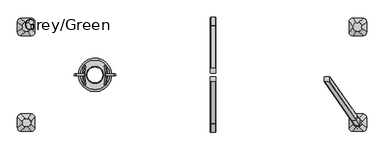
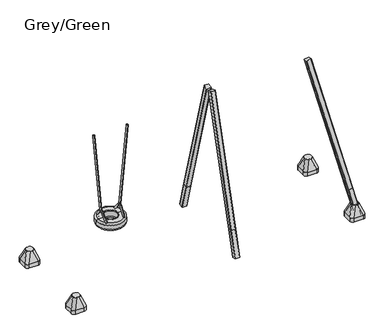
"""IFC4 building model written with IfcOpenShell, lengths in millimetres: furniture geometry, Grey/Green."""

from ifc_helpers import new_model, si_unit, point, frame, frame_2d, origin, place, context, project, spatial, polyline, circle_curve, ellipse_curve, trimmed, segment, composite_curve, outline, extrude, source, transform, mapped, element, save
from ifc_brep_helpers import plane_surface, cylinder_surface, revolved_surface, extruded_surface, advanced_brep


def grey_green_87171a20(model_context):
    return source(origin(), model_context, "Body", "SolidModel", [
        advanced_brep(
        [(3763.0, -672.5, -604.0), (3943.0, -672.5, -604.0), (4003.0, -732.5, -604.0), (4003.0, -912.5, -604.0), (3943.0, -972.5, -604.0), (3763.0, -972.5, -604.0), (3703.0, -912.5, -604.0), (3703.0, -732.5, -604.0), (3763.0, -672.5, -526.0689494), (3943.0, -672.5, -526.0689494), (4003.0, -732.5, -526.0689494), (4003.0, -912.5, -526.0689494), (3943.0, -972.5, -526.0689494), (3763.0, -972.5, -526.0689494), (3703.0, -912.5, -526.0689494), (3703.0, -732.5, -526.0689494), (3861.9540451, -751.0510597, -316.0689494), (3836.9540451, -751.0510597, -316.0689494), (3776.9540451, -811.0510597, -316.0689494), (3776.9540451, -836.0510597, -316.0689494), (3836.9540451, -896.0510597, -316.0689494), (3861.9540451, -896.0510597, -316.0689494), (3921.9540451, -836.0510597, -316.0689494), (3921.9540451, -811.0510597, -316.0689494)],
        [
            (0, 1),
            (1, 2, circle_curve(frame((3943.0, -732.5, -604.0), z_axis=(0.0, 0.0, -1.0), x_axis=(-1.0, 0.0, 0.0)), 60.0)),
            (2, 3),
            (3, 4, circle_curve(frame((3943.0, -912.5, -604.0), z_axis=(0.0, 0.0, -1.0), x_axis=(-1.0, 0.0, 0.0)), 60.0)),
            (4, 5),
            (5, 6, circle_curve(frame((3763.0, -912.5, -604.0), z_axis=(0.0, 0.0, -1.0), x_axis=(-1.0, 0.0, 0.0)), 60.0)),
            (6, 7),
            (7, 0, circle_curve(frame((3763.0, -732.5, -604.0), z_axis=(0.0, 0.0, -1.0), x_axis=(-1.0, 0.0, 0.0)), 60.0)),
            (0, 8),
            (8, 9),
            (9, 1),
            (2, 10),
            (10, 11),
            (11, 3),
            (4, 12),
            (12, 13),
            (13, 5),
            (6, 14),
            (14, 15),
            (15, 7),
            (16, 17),
            (17, 18, circle_curve(frame((3836.9540451, -811.0510597, -316.0689494), z_axis=(0.0, 0.0, 1.0), x_axis=(-1.0, 0.0, 0.0)), 60.0)),
            (18, 19),
            (19, 20, circle_curve(frame((3836.9540451, -836.0510597, -316.0689494), z_axis=(0.0, 0.0, 1.0), x_axis=(-1.0, 0.0, 0.0)), 60.0)),
            (20, 21),
            (21, 22, circle_curve(frame((3861.9540451, -836.0510597, -316.0689494), z_axis=(0.0, 0.0, 1.0), x_axis=(-1.0, 0.0, 0.0)), 60.0)),
            (22, 23),
            (23, 16, circle_curve(frame((3861.9540451, -811.0510597, -316.0689494), z_axis=(0.0, 0.0, 1.0), x_axis=(-1.0, 0.0, 0.0)), 60.0)),
            (22, 11),
            (10, 23),
            (20, 13),
            (12, 21),
            (18, 15),
            (14, 19),
            (16, 9),
            (8, 17),
            (9, 10, circle_curve(frame((3943.0, -732.5, -526.0689494), z_axis=(0.0, 0.0, -1.0), x_axis=(-1.0, 0.0, 0.0)), 60.0)),
            (11, 12, circle_curve(frame((3943.0, -912.5, -526.0689494), z_axis=(0.0, 0.0, -1.0), x_axis=(-1.0, 0.0, 0.0)), 60.0)),
            (13, 14, circle_curve(frame((3763.0, -912.5, -526.0689494), z_axis=(0.0, 0.0, -1.0), x_axis=(-1.0, 0.0, 0.0)), 60.0)),
            (15, 8, circle_curve(frame((3763.0, -732.5, -526.0689494), z_axis=(0.0, 0.0, -1.0), x_axis=(-1.0, 0.0, 0.0)), 60.0)),
        ],
        [
            plane_surface(frame((4029.6329682, -672.5, -604.0), z_axis=(0.0, 0.0, -1.0), x_axis=(-1.0, 0.0, 0.0))),
            plane_surface(frame((3763.0, -672.5, -526.0689494), z_axis=(0.0, 1.0, 0.0), x_axis=(0.0, 0.0, -1.0))),
            plane_surface(frame((4003.0, -732.5, -526.0689494), z_axis=(1.0, 0.0, 0.0), x_axis=(0.0, 0.0, -1.0))),
            plane_surface(frame((3943.0, -972.5, -526.0689494), z_axis=(0.0, -1.0, 0.0), x_axis=(0.0, 0.0, -1.0))),
            plane_surface(frame((3703.0, -912.5, -526.0689494), z_axis=(-1.0, 0.0, 0.0), x_axis=(0.0, 0.0, -1.0))),
            plane_surface(frame((3849.4540451, -823.5510597, -316.0689494), z_axis=(0.0, 0.0, 1.0), x_axis=(1.0, 0.0, 0.0))),
            plane_surface(frame((4003.0, -822.5, -526.0689494), z_axis=(0.9329330935587706, 0.0, 0.36004977842357055), x_axis=(0.0, -1.0, 0.0))),
            plane_surface(frame((3853.0, -972.5, -526.0689494), z_axis=(0.0, -0.9396707723277333, 0.34208016550656856), x_axis=(-1.0, 0.0, 0.0))),
            plane_surface(frame((3703.0, -822.5, -526.0689494), z_axis=(-0.9432207285248213, 0.0, 0.33216661072586046), x_axis=(0.0, 1.0, 0.0))),
            plane_surface(frame((3853.0, -672.5, -526.0689494), z_axis=(0.0, 0.9366205672401335, 0.35034541958297477), x_axis=(1.0, 0.0, 0.0))),
            cylinder_surface(frame((3943.0, -732.5, -604.0), z_axis=(0.0, 0.0, 1.0), x_axis=(-1.0, 0.0, 0.0)), 60.0),
            cylinder_surface(frame((3943.0, -912.5, -604.0), z_axis=(0.0, 0.0, 1.0), x_axis=(-1.0, 0.0, 0.0)), 60.0),
            cylinder_surface(frame((3763.0, -912.5, -604.0), z_axis=(0.0, 0.0, 1.0), x_axis=(-1.0, 0.0, 0.0)), 60.0),
            cylinder_surface(frame((3763.0, -732.5, -604.0), z_axis=(0.0, 0.0, 1.0), x_axis=(-1.0, 0.0, 0.0)), 60.0),
            extruded_surface(trimmed(circle_curve(frame((3861.9540451, -811.0510597, -316.0689494), z_axis=(0.0, 0.0, -1.0), x_axis=(-1.0, 0.0, 0.0)), 60.0), [point((3861.9540451, -751.0510597, -316.0689494))], [point((3921.9540451, -811.0510597, -316.0689494))], True, "CARTESIAN"), (81.0459549000002, 78.5510597, -209.99999999999994), 238.4087158340605),
            extruded_surface(trimmed(circle_curve(frame((3836.9540451, -811.0510597, -316.0689494), z_axis=(0.0, 0.0, -1.0), x_axis=(-1.0, 0.0, 0.0)), 60.0), [point((3776.9540451, -811.0510597, -316.0689494))], [point((3836.9540451, -751.0510597, -316.0689494))], True, "CARTESIAN"), (-73.9540450999998, 78.5510597, -209.99999999999994), 236.0920790002192),
            extruded_surface(trimmed(circle_curve(frame((3861.9540451, -836.0510597, -316.0689494), z_axis=(0.0, 0.0, -1.0), x_axis=(-1.0, 0.0, 0.0)), 60.0), [point((3921.9540451, -836.0510597, -316.0689494))], [point((3861.9540451, -896.0510597, -316.0689494))], True, "CARTESIAN"), (81.0459549000002, -76.4489403, -209.99999999999994), 237.7243935288211),
            extruded_surface(trimmed(circle_curve(frame((3836.9540451, -836.0510597, -316.0689494), z_axis=(0.0, 0.0, -1.0), x_axis=(-1.0, 0.0, 0.0)), 60.0), [point((3836.9540451, -896.0510597, -316.0689494))], [point((3776.9540451, -836.0510597, -316.0689494))], True, "CARTESIAN"), (-73.9540450999998, -76.4489403, -209.99999999999994), 235.4010222145302),
        ],
        [
            (0, [[1, 2, 3, 4, 5, 6, 7, 8]]),
            (1, [[9, 10, 11, -1]]),
            (2, [[12, 13, 14, -3]]),
            (3, [[15, 16, 17, -5]]),
            (4, [[18, 19, 20, -7]]),
            (5, [[21, 22, 23, 24, 25, 26, 27, 28]]),
            (6, [[29, -13, 30, -27]]),
            (7, [[31, -16, 32, -25]]),
            (8, [[33, -19, 34, -23]]),
            (9, [[35, -10, 36, -21]]),
            (10, [[-11, 37, -12, -2]]),
            (11, [[-14, 38, -15, -4]]),
            (12, [[-17, 39, -18, -6]]),
            (13, [[-20, 40, -9, -8]]),
            (14, [[-30, -37, -35, -28]]),
            (15, [[-36, -40, -33, -22]]),
            (16, [[-32, -38, -29, -26]]),
            (17, [[-34, -39, -31, -24]]),
        ],
    ),
        advanced_brep(
        [(3763.0, 672.5, -604.0), (3703.0, 732.5, -604.0), (3703.0, 912.5, -604.0), (3763.0, 972.5, -604.0), (3943.0, 972.5, -604.0), (4003.0, 912.5, -604.0), (4003.0, 732.5, -604.0), (3943.0, 672.5, -604.0), (3943.0, 672.5, -526.0689494), (3763.0, 672.5, -526.0689494), (4003.0, 912.5, -526.0689494), (4003.0, 732.5, -526.0689494), (3763.0, 972.5, -526.0689494), (3943.0, 972.5, -526.0689494), (3703.0, 732.5, -526.0689494), (3703.0, 912.5, -526.0689494), (3861.9540451, 751.0510597, -316.0689494), (3921.9540451, 811.0510597, -316.0689494), (3921.9540451, 836.0510597, -316.0689494), (3861.9540451, 896.0510597, -316.0689494), (3836.9540451, 896.0510597, -316.0689494), (3776.9540451, 836.0510597, -316.0689494), (3776.9540451, 811.0510597, -316.0689494), (3836.9540451, 751.0510597, -316.0689494)],
        [
            (0, 1, circle_curve(frame((3763.0, 732.5, -604.0), z_axis=(0.0, 0.0, -1.0), x_axis=(-1.0, 0.0, 0.0)), 60.0)),
            (1, 2),
            (2, 3, circle_curve(frame((3763.0, 912.5, -604.0), z_axis=(0.0, 0.0, -1.0), x_axis=(-1.0, 0.0, 0.0)), 60.0)),
            (3, 4),
            (4, 5, circle_curve(frame((3943.0, 912.5, -604.0), z_axis=(0.0, 0.0, -1.0), x_axis=(-1.0, 0.0, 0.0)), 60.0)),
            (5, 6),
            (6, 7, circle_curve(frame((3943.0, 732.5, -604.0), z_axis=(0.0, 0.0, -1.0), x_axis=(-1.0, 0.0, 0.0)), 60.0)),
            (7, 0),
            (7, 8),
            (8, 9),
            (9, 0),
            (5, 10),
            (10, 11),
            (11, 6),
            (3, 12),
            (12, 13),
            (13, 4),
            (1, 14),
            (14, 15),
            (15, 2),
            (16, 17, circle_curve(frame((3861.9540451, 811.0510597, -316.0689494), z_axis=(0.0, 0.0, 1.0), x_axis=(-1.0, 0.0, 0.0)), 60.0)),
            (17, 18),
            (18, 19, circle_curve(frame((3861.9540451, 836.0510597, -316.0689494), z_axis=(0.0, 0.0, 1.0), x_axis=(-1.0, 0.0, 0.0)), 60.0)),
            (19, 20),
            (20, 21, circle_curve(frame((3836.9540451, 836.0510597, -316.0689494), z_axis=(0.0, 0.0, 1.0), x_axis=(-1.0, 0.0, 0.0)), 60.0)),
            (21, 22),
            (22, 23, circle_curve(frame((3836.9540451, 811.0510597, -316.0689494), z_axis=(0.0, 0.0, 1.0), x_axis=(-1.0, 0.0, 0.0)), 60.0)),
            (23, 16),
            (17, 11),
            (10, 18),
            (19, 13),
            (12, 20),
            (21, 15),
            (14, 22),
            (23, 9),
            (8, 16),
            (11, 8, circle_curve(frame((3943.0, 732.5, -526.0689494), z_axis=(0.0, 0.0, -1.0), x_axis=(-1.0, 0.0, 0.0)), 60.0)),
            (13, 10, circle_curve(frame((3943.0, 912.5, -526.0689494), z_axis=(0.0, 0.0, -1.0), x_axis=(-1.0, 0.0, 0.0)), 60.0)),
            (15, 12, circle_curve(frame((3763.0, 912.5, -526.0689494), z_axis=(0.0, 0.0, -1.0), x_axis=(-1.0, 0.0, 0.0)), 60.0)),
            (9, 14, circle_curve(frame((3763.0, 732.5, -526.0689494), z_axis=(0.0, 0.0, -1.0), x_axis=(-1.0, 0.0, 0.0)), 60.0)),
        ],
        [
            plane_surface(frame((4029.6329682, 672.5, -604.0), z_axis=(0.0, 0.0, -1.0), x_axis=(-1.0, 0.0, 0.0))),
            plane_surface(frame((3763.0, 672.5, -526.0689494), z_axis=(0.0, -1.0, 0.0), x_axis=(0.0, 0.0, -1.0))),
            plane_surface(frame((4003.0, 732.5, -526.0689494), z_axis=(1.0, 0.0, 0.0), x_axis=(0.0, 0.0, -1.0))),
            plane_surface(frame((3943.0, 972.5, -526.0689494), z_axis=(0.0, 1.0, 0.0), x_axis=(0.0, 0.0, -1.0))),
            plane_surface(frame((3703.0, 912.5, -526.0689494), z_axis=(-1.0, 0.0, 0.0), x_axis=(0.0, 0.0, -1.0))),
            plane_surface(frame((3849.4540451, 823.5510597, -316.0689494), z_axis=(0.0, 0.0, 1.0), x_axis=(1.0, 0.0, 0.0))),
            plane_surface(frame((4003.0, 822.5, -526.0689494), z_axis=(0.9329330935587706, 0.0, 0.36004977842357055), x_axis=(0.0, 1.0, 0.0))),
            plane_surface(frame((3853.0, 972.5, -526.0689494), z_axis=(0.0, 0.9396707723277333, 0.34208016550656856), x_axis=(-1.0, 0.0, 0.0))),
            plane_surface(frame((3703.0, 822.5, -526.0689494), z_axis=(-0.9432207285248213, 0.0, 0.33216661072586046), x_axis=(0.0, -1.0, 0.0))),
            plane_surface(frame((3853.0, 672.5, -526.0689494), z_axis=(0.0, -0.9366205672401335, 0.35034541958297477), x_axis=(1.0, 0.0, 0.0))),
            cylinder_surface(frame((3943.0, 732.5, -604.0), z_axis=(0.0, 0.0, 1.0), x_axis=(-1.0, 0.0, 0.0)), 60.0),
            cylinder_surface(frame((3943.0, 912.5, -604.0), z_axis=(0.0, 0.0, 1.0), x_axis=(-1.0, 0.0, 0.0)), 60.0),
            cylinder_surface(frame((3763.0, 912.5, -604.0), z_axis=(0.0, 0.0, 1.0), x_axis=(-1.0, 0.0, 0.0)), 60.0),
            cylinder_surface(frame((3763.0, 732.5, -604.0), z_axis=(0.0, 0.0, 1.0), x_axis=(-1.0, 0.0, 0.0)), 60.0),
            extruded_surface(trimmed(circle_curve(frame((3943.0, 732.5, -526.0689494), z_axis=(0.0, 0.0, 1.0), x_axis=(-1.0, 0.0, 0.0)), 60.0), [point((3943.0, 672.5, -526.0689494))], [point((4003.0, 732.5, -526.0689494))], True, "CARTESIAN"), (-81.0459549000002, 78.5510597, 209.99999999999994), 238.4087158340605),
            extruded_surface(trimmed(circle_curve(frame((3763.0, 732.5, -526.0689494), z_axis=(0.0, 0.0, 1.0), x_axis=(-1.0, 0.0, 0.0)), 60.0), [point((3703.0, 732.5, -526.0689494))], [point((3763.0, 672.5, -526.0689494))], True, "CARTESIAN"), (73.9540450999998, 78.5510597, 209.99999999999994), 236.0920790002192),
            extruded_surface(trimmed(circle_curve(frame((3943.0, 912.5, -526.0689494), z_axis=(0.0, 0.0, 1.0), x_axis=(-1.0, 0.0, 0.0)), 60.0), [point((4003.0, 912.5, -526.0689494))], [point((3943.0, 972.5, -526.0689494))], True, "CARTESIAN"), (-81.0459549000002, -76.4489403, 209.99999999999994), 237.7243935288211),
            extruded_surface(trimmed(circle_curve(frame((3763.0, 912.5, -526.0689494), z_axis=(0.0, 0.0, 1.0), x_axis=(-1.0, 0.0, 0.0)), 60.0), [point((3763.0, 972.5, -526.0689494))], [point((3703.0, 912.5, -526.0689494))], True, "CARTESIAN"), (73.9540450999998, -76.4489403, 209.99999999999994), 235.4010222145302),
        ],
        [
            (0, [[1, 2, 3, 4, 5, 6, 7, 8]]),
            (1, [[-8, 9, 10, 11]]),
            (2, [[-6, 12, 13, 14]]),
            (3, [[-4, 15, 16, 17]]),
            (4, [[-2, 18, 19, 20]]),
            (5, [[21, 22, 23, 24, 25, 26, 27, 28]]),
            (6, [[-22, 29, -13, 30]]),
            (7, [[-24, 31, -16, 32]]),
            (8, [[-26, 33, -19, 34]]),
            (9, [[-28, 35, -10, 36]]),
            (10, [[-7, -14, 37, -9]]),
            (11, [[-5, -17, 38, -12]]),
            (12, [[-3, -20, 39, -15]]),
            (13, [[-1, -11, 40, -18]]),
            (14, [[-21, -36, -37, -29]]),
            (15, [[-27, -34, -40, -35]]),
            (16, [[-23, -30, -38, -31]]),
            (17, [[-25, -32, -39, -33]]),
        ],
    ),
        advanced_brep(
        [(-1757.0, 672.5, -604.0), (-1937.0, 672.5, -604.0), (-1997.0, 732.5, -604.0), (-1997.0, 912.5, -604.0), (-1937.0, 972.5, -604.0), (-1757.0, 972.5, -604.0), (-1697.0, 912.5, -604.0), (-1697.0, 732.5, -604.0), (-1757.0, 672.5, -526.0689494), (-1937.0, 672.5, -526.0689494), (-1997.0, 732.5, -526.0689494), (-1997.0, 912.5, -526.0689494), (-1937.0, 972.5, -526.0689494), (-1757.0, 972.5, -526.0689494), (-1697.0, 912.5, -526.0689494), (-1697.0, 732.5, -526.0689494), (-1855.9540451, 751.0510597, -316.0689494), (-1830.9540451, 751.0510597, -316.0689494), (-1770.9540451, 811.0510597, -316.0689494), (-1770.9540451, 836.0510597, -316.0689494), (-1830.9540451, 896.0510597, -316.0689494), (-1855.9540451, 896.0510597, -316.0689494), (-1915.9540451, 836.0510597, -316.0689494), (-1915.9540451, 811.0510597, -316.0689494)],
        [
            (0, 1),
            (1, 2, circle_curve(frame((-1937.0, 732.5, -604.0), z_axis=(0.0, 0.0, -1.0), x_axis=(1.0, 0.0, 0.0)), 60.0)),
            (2, 3),
            (3, 4, circle_curve(frame((-1937.0, 912.5, -604.0), z_axis=(0.0, 0.0, -1.0), x_axis=(1.0, 0.0, 0.0)), 60.0)),
            (4, 5),
            (5, 6, circle_curve(frame((-1757.0, 912.5, -604.0), z_axis=(0.0, 0.0, -1.0), x_axis=(1.0, 0.0, 0.0)), 60.0)),
            (6, 7),
            (7, 0, circle_curve(frame((-1757.0, 732.5, -604.0), z_axis=(0.0, 0.0, -1.0), x_axis=(1.0, 0.0, 0.0)), 60.0)),
            (0, 8),
            (8, 9),
            (9, 1),
            (2, 10),
            (10, 11),
            (11, 3),
            (4, 12),
            (12, 13),
            (13, 5),
            (6, 14),
            (14, 15),
            (15, 7),
            (16, 17),
            (17, 18, circle_curve(frame((-1830.9540451, 811.0510597, -316.0689494), z_axis=(0.0, 0.0, 1.0), x_axis=(1.0, 0.0, 0.0)), 60.0)),
            (18, 19),
            (19, 20, circle_curve(frame((-1830.9540451, 836.0510597, -316.0689494), z_axis=(0.0, 0.0, 1.0), x_axis=(1.0, 0.0, 0.0)), 60.0)),
            (20, 21),
            (21, 22, circle_curve(frame((-1855.9540451, 836.0510597, -316.0689494), z_axis=(0.0, 0.0, 1.0), x_axis=(1.0, 0.0, 0.0)), 60.0)),
            (22, 23),
            (23, 16, circle_curve(frame((-1855.9540451, 811.0510597, -316.0689494), z_axis=(0.0, 0.0, 1.0), x_axis=(1.0, 0.0, 0.0)), 60.0)),
            (22, 11),
            (10, 23),
            (20, 13),
            (12, 21),
            (18, 15),
            (14, 19),
            (16, 9),
            (8, 17),
            (9, 10, circle_curve(frame((-1937.0, 732.5, -526.0689494), z_axis=(0.0, 0.0, -1.0), x_axis=(1.0, 0.0, 0.0)), 60.0)),
            (11, 12, circle_curve(frame((-1937.0, 912.5, -526.0689494), z_axis=(0.0, 0.0, -1.0), x_axis=(1.0, 0.0, 0.0)), 60.0)),
            (13, 14, circle_curve(frame((-1757.0, 912.5, -526.0689494), z_axis=(0.0, 0.0, -1.0), x_axis=(1.0, 0.0, 0.0)), 60.0)),
            (15, 8, circle_curve(frame((-1757.0, 732.5, -526.0689494), z_axis=(0.0, 0.0, -1.0), x_axis=(1.0, 0.0, 0.0)), 60.0)),
        ],
        [
            plane_surface(frame((-2023.6329682, 672.5, -604.0), z_axis=(0.0, 0.0, -1.0), x_axis=(1.0, 0.0, 0.0))),
            plane_surface(frame((-1757.0, 672.5, -526.0689494), z_axis=(0.0, -1.0, 0.0), x_axis=(0.0, 0.0, -1.0))),
            plane_surface(frame((-1997.0, 732.5, -526.0689494), z_axis=(-1.0, 0.0, 0.0), x_axis=(0.0, 0.0, -1.0))),
            plane_surface(frame((-1937.0, 972.5, -526.0689494), z_axis=(0.0, 1.0, 0.0), x_axis=(0.0, 0.0, -1.0))),
            plane_surface(frame((-1697.0, 912.5, -526.0689494), z_axis=(1.0, 0.0, 0.0), x_axis=(0.0, 0.0, -1.0))),
            plane_surface(frame((-1843.4540451, 823.5510597, -316.0689494), z_axis=(0.0, 0.0, 1.0), x_axis=(-1.0, 0.0, 0.0))),
            plane_surface(frame((-1997.0, 822.5, -526.0689494), z_axis=(-0.9329330935587706, 0.0, 0.36004977842357055), x_axis=(0.0, 1.0, 0.0))),
            plane_surface(frame((-1847.0, 972.5, -526.0689494), z_axis=(0.0, 0.9396707723277333, 0.34208016550656856), x_axis=(1.0, 0.0, 0.0))),
            plane_surface(frame((-1697.0, 822.5, -526.0689494), z_axis=(0.9432207285248213, 0.0, 0.33216661072586046), x_axis=(0.0, -1.0, 0.0))),
            plane_surface(frame((-1847.0, 672.5, -526.0689494), z_axis=(0.0, -0.9366205672401335, 0.35034541958297477), x_axis=(-1.0, 0.0, 0.0))),
            cylinder_surface(frame((-1937.0, 732.5, -604.0), z_axis=(0.0, 0.0, 1.0), x_axis=(1.0, 0.0, 0.0)), 60.0),
            cylinder_surface(frame((-1937.0, 912.5, -604.0), z_axis=(0.0, 0.0, 1.0), x_axis=(1.0, 0.0, 0.0)), 60.0),
            cylinder_surface(frame((-1757.0, 912.5, -604.0), z_axis=(0.0, 0.0, 1.0), x_axis=(1.0, 0.0, 0.0)), 60.0),
            cylinder_surface(frame((-1757.0, 732.5, -604.0), z_axis=(0.0, 0.0, 1.0), x_axis=(1.0, 0.0, 0.0)), 60.0),
            extruded_surface(trimmed(circle_curve(frame((-1855.9540451, 811.0510597, -316.0689494), z_axis=(0.0, 0.0, -1.0), x_axis=(1.0, 0.0, 0.0)), 60.0), [point((-1855.9540451, 751.0510597, -316.0689494))], [point((-1915.9540451, 811.0510597, -316.0689494))], True, "CARTESIAN"), (-81.04595489999997, -78.5510597, -209.99999999999994), 238.40871583406042),
            extruded_surface(trimmed(circle_curve(frame((-1830.9540451, 811.0510597, -316.0689494), z_axis=(0.0, 0.0, -1.0), x_axis=(1.0, 0.0, 0.0)), 60.0), [point((-1770.9540451, 811.0510597, -316.0689494))], [point((-1830.9540451, 751.0510597, -316.0689494))], True, "CARTESIAN"), (73.95404510000003, -78.5510597, -209.99999999999994), 236.0920790002193),
            extruded_surface(trimmed(circle_curve(frame((-1855.9540451, 836.0510597, -316.0689494), z_axis=(0.0, 0.0, -1.0), x_axis=(1.0, 0.0, 0.0)), 60.0), [point((-1915.9540451, 836.0510597, -316.0689494))], [point((-1855.9540451, 896.0510597, -316.0689494))], True, "CARTESIAN"), (-81.04595489999997, 76.4489403, -209.99999999999994), 237.72439352882105),
            extruded_surface(trimmed(circle_curve(frame((-1830.9540451, 836.0510597, -316.0689494), z_axis=(0.0, 0.0, -1.0), x_axis=(1.0, 0.0, 0.0)), 60.0), [point((-1830.9540451, 896.0510597, -316.0689494))], [point((-1770.9540451, 836.0510597, -316.0689494))], True, "CARTESIAN"), (73.95404510000003, 76.4489403, -209.99999999999994), 235.4010222145303),
        ],
        [
            (0, [[1, 2, 3, 4, 5, 6, 7, 8]]),
            (1, [[9, 10, 11, -1]]),
            (2, [[12, 13, 14, -3]]),
            (3, [[15, 16, 17, -5]]),
            (4, [[18, 19, 20, -7]]),
            (5, [[21, 22, 23, 24, 25, 26, 27, 28]]),
            (6, [[29, -13, 30, -27]]),
            (7, [[31, -16, 32, -25]]),
            (8, [[33, -19, 34, -23]]),
            (9, [[35, -10, 36, -21]]),
            (10, [[-11, 37, -12, -2]]),
            (11, [[-14, 38, -15, -4]]),
            (12, [[-17, 39, -18, -6]]),
            (13, [[-20, 40, -9, -8]]),
            (14, [[-30, -37, -35, -28]]),
            (15, [[-36, -40, -33, -22]]),
            (16, [[-32, -38, -29, -26]]),
            (17, [[-34, -39, -31, -24]]),
        ],
    ),
        advanced_brep(
        [(-1757.0, -672.5, -604.0), (-1697.0, -732.5, -604.0), (-1697.0, -912.5, -604.0), (-1757.0, -972.5, -604.0), (-1937.0, -972.5, -604.0), (-1997.0, -912.5, -604.0), (-1997.0, -732.5, -604.0), (-1937.0, -672.5, -604.0), (-1937.0, -672.5, -526.0689494), (-1757.0, -672.5, -526.0689494), (-1997.0, -912.5, -526.0689494), (-1997.0, -732.5, -526.0689494), (-1757.0, -972.5, -526.0689494), (-1937.0, -972.5, -526.0689494), (-1697.0, -732.5, -526.0689494), (-1697.0, -912.5, -526.0689494), (-1855.9540451, -751.0510597, -316.0689494), (-1915.9540451, -811.0510597, -316.0689494), (-1915.9540451, -836.0510597, -316.0689494), (-1855.9540451, -896.0510597, -316.0689494), (-1830.9540451, -896.0510597, -316.0689494), (-1770.9540451, -836.0510597, -316.0689494), (-1770.9540451, -811.0510597, -316.0689494), (-1830.9540451, -751.0510597, -316.0689494)],
        [
            (0, 1, circle_curve(frame((-1757.0, -732.5, -604.0), z_axis=(0.0, 0.0, -1.0), x_axis=(1.0, 0.0, 0.0)), 60.0)),
            (1, 2),
            (2, 3, circle_curve(frame((-1757.0, -912.5, -604.0), z_axis=(0.0, 0.0, -1.0), x_axis=(1.0, 0.0, 0.0)), 60.0)),
            (3, 4),
            (4, 5, circle_curve(frame((-1937.0, -912.5, -604.0), z_axis=(0.0, 0.0, -1.0), x_axis=(1.0, 0.0, 0.0)), 60.0)),
            (5, 6),
            (6, 7, circle_curve(frame((-1937.0, -732.5, -604.0), z_axis=(0.0, 0.0, -1.0), x_axis=(1.0, 0.0, 0.0)), 60.0)),
            (7, 0),
            (7, 8),
            (8, 9),
            (9, 0),
            (5, 10),
            (10, 11),
            (11, 6),
            (3, 12),
            (12, 13),
            (13, 4),
            (1, 14),
            (14, 15),
            (15, 2),
            (16, 17, circle_curve(frame((-1855.9540451, -811.0510597, -316.0689494), z_axis=(0.0, 0.0, 1.0), x_axis=(1.0, 0.0, 0.0)), 60.0)),
            (17, 18),
            (18, 19, circle_curve(frame((-1855.9540451, -836.0510597, -316.0689494), z_axis=(0.0, 0.0, 1.0), x_axis=(1.0, 0.0, 0.0)), 60.0)),
            (19, 20),
            (20, 21, circle_curve(frame((-1830.9540451, -836.0510597, -316.0689494), z_axis=(0.0, 0.0, 1.0), x_axis=(1.0, 0.0, 0.0)), 60.0)),
            (21, 22),
            (22, 23, circle_curve(frame((-1830.9540451, -811.0510597, -316.0689494), z_axis=(0.0, 0.0, 1.0), x_axis=(1.0, 0.0, 0.0)), 60.0)),
            (23, 16),
            (17, 11),
            (10, 18),
            (19, 13),
            (12, 20),
            (21, 15),
            (14, 22),
            (23, 9),
            (8, 16),
            (11, 8, circle_curve(frame((-1937.0, -732.5, -526.0689494), z_axis=(0.0, 0.0, -1.0), x_axis=(1.0, 0.0, 0.0)), 60.0)),
            (13, 10, circle_curve(frame((-1937.0, -912.5, -526.0689494), z_axis=(0.0, 0.0, -1.0), x_axis=(1.0, 0.0, 0.0)), 60.0)),
            (15, 12, circle_curve(frame((-1757.0, -912.5, -526.0689494), z_axis=(0.0, 0.0, -1.0), x_axis=(1.0, 0.0, 0.0)), 60.0)),
            (9, 14, circle_curve(frame((-1757.0, -732.5, -526.0689494), z_axis=(0.0, 0.0, -1.0), x_axis=(1.0, 0.0, 0.0)), 60.0)),
        ],
        [
            plane_surface(frame((-2023.6329682, -672.5, -604.0), z_axis=(0.0, 0.0, -1.0), x_axis=(1.0, 0.0, 0.0))),
            plane_surface(frame((-1757.0, -672.5, -526.0689494), z_axis=(0.0, 1.0, 0.0), x_axis=(0.0, 0.0, -1.0))),
            plane_surface(frame((-1997.0, -732.5, -526.0689494), z_axis=(-1.0, 0.0, 0.0), x_axis=(0.0, 0.0, -1.0))),
            plane_surface(frame((-1937.0, -972.5, -526.0689494), z_axis=(0.0, -1.0, 0.0), x_axis=(0.0, 0.0, -1.0))),
            plane_surface(frame((-1697.0, -912.5, -526.0689494), z_axis=(1.0, 0.0, 0.0), x_axis=(0.0, 0.0, -1.0))),
            plane_surface(frame((-1843.4540451, -823.5510597, -316.0689494), z_axis=(0.0, 0.0, 1.0), x_axis=(-1.0, 0.0, 0.0))),
            plane_surface(frame((-1997.0, -822.5, -526.0689494), z_axis=(-0.9329330935587706, 0.0, 0.36004977842357055), x_axis=(0.0, -1.0, 0.0))),
            plane_surface(frame((-1847.0, -972.5, -526.0689494), z_axis=(0.0, -0.9396707723277333, 0.34208016550656856), x_axis=(1.0, 0.0, 0.0))),
            plane_surface(frame((-1697.0, -822.5, -526.0689494), z_axis=(0.9432207285248213, 0.0, 0.33216661072586046), x_axis=(0.0, 1.0, 0.0))),
            plane_surface(frame((-1847.0, -672.5, -526.0689494), z_axis=(0.0, 0.9366205672401335, 0.35034541958297477), x_axis=(-1.0, 0.0, 0.0))),
            cylinder_surface(frame((-1937.0, -732.5, -604.0), z_axis=(0.0, 0.0, 1.0), x_axis=(1.0, 0.0, 0.0)), 60.0),
            cylinder_surface(frame((-1937.0, -912.5, -604.0), z_axis=(0.0, 0.0, 1.0), x_axis=(1.0, 0.0, 0.0)), 60.0),
            cylinder_surface(frame((-1757.0, -912.5, -604.0), z_axis=(0.0, 0.0, 1.0), x_axis=(1.0, 0.0, 0.0)), 60.0),
            cylinder_surface(frame((-1757.0, -732.5, -604.0), z_axis=(0.0, 0.0, 1.0), x_axis=(1.0, 0.0, 0.0)), 60.0),
            extruded_surface(trimmed(circle_curve(frame((-1937.0, -732.5, -526.0689494), z_axis=(0.0, 0.0, 1.0), x_axis=(1.0, 0.0, 0.0)), 60.0), [point((-1937.0, -672.5, -526.0689494))], [point((-1997.0, -732.5, -526.0689494))], True, "CARTESIAN"), (81.04595489999997, -78.5510597, 209.99999999999994), 238.40871583406042),
            extruded_surface(trimmed(circle_curve(frame((-1757.0, -732.5, -526.0689494), z_axis=(0.0, 0.0, 1.0), x_axis=(1.0, 0.0, 0.0)), 60.0), [point((-1697.0, -732.5, -526.0689494))], [point((-1757.0, -672.5, -526.0689494))], True, "CARTESIAN"), (-73.95404510000003, -78.5510597, 209.99999999999994), 236.0920790002193),
            extruded_surface(trimmed(circle_curve(frame((-1937.0, -912.5, -526.0689494), z_axis=(0.0, 0.0, 1.0), x_axis=(1.0, 0.0, 0.0)), 60.0), [point((-1997.0, -912.5, -526.0689494))], [point((-1937.0, -972.5, -526.0689494))], True, "CARTESIAN"), (81.04595489999997, 76.4489403, 209.99999999999994), 237.72439352882105),
            extruded_surface(trimmed(circle_curve(frame((-1757.0, -912.5, -526.0689494), z_axis=(0.0, 0.0, 1.0), x_axis=(1.0, 0.0, 0.0)), 60.0), [point((-1757.0, -972.5, -526.0689494))], [point((-1697.0, -912.5, -526.0689494))], True, "CARTESIAN"), (-73.95404510000003, 76.4489403, 209.99999999999994), 235.4010222145303),
        ],
        [
            (0, [[1, 2, 3, 4, 5, 6, 7, 8]]),
            (1, [[-8, 9, 10, 11]]),
            (2, [[-6, 12, 13, 14]]),
            (3, [[-4, 15, 16, 17]]),
            (4, [[-2, 18, 19, 20]]),
            (5, [[21, 22, 23, 24, 25, 26, 27, 28]]),
            (6, [[-22, 29, -13, 30]]),
            (7, [[-24, 31, -16, 32]]),
            (8, [[-26, 33, -19, 34]]),
            (9, [[-28, 35, -10, 36]]),
            (10, [[-7, -14, 37, -9]]),
            (11, [[-5, -17, 38, -12]]),
            (12, [[-3, -20, 39, -15]]),
            (13, [[-1, -11, 40, -18]]),
            (14, [[-21, -36, -37, -29]]),
            (15, [[-27, -34, -40, -35]]),
            (16, [[-23, -30, -38, -31]]),
            (17, [[-25, -32, -39, -33]]),
        ],
    ),
        extrude(outline(composite_curve([segment(trimmed(circle_curve(frame_2d((1.4321269, 0.0)), 18.0), [point((1.4321269, 18.0))], [point((1.4321269, -18.0))], False, "CARTESIAN"), True, "CONTINUOUS"), segment(trimmed(circle_curve(frame_2d((1.4321269, 0.0)), 18.0), [point((1.4321269, -18.0))], [point((1.4321269, 18.0))], False, "CARTESIAN"), True, "CONTINUOUS")], self_intersect=False)), frame((-858.3490007, 0.0, 686.6778156), z_axis=(-0.08715574274765649, 0.0, 0.9961946980917457), x_axis=(-0.9961946980917457, 0.0, -0.08715574274765649)), (0.0, 0.0, 1.0), 1665.0),
        extrude(outline(composite_curve([segment(trimmed(circle_curve(frame_2d((1.4321269, 0.0)), 18.0), [point((1.4321269, 18.0))], [point((1.4321269, -18.0))], False, "CARTESIAN"), True, "CONTINUOUS"), segment(trimmed(circle_curve(frame_2d((1.4321269, 0.0)), 18.0), [point((1.4321269, -18.0))], [point((1.4321269, 18.0))], False, "CARTESIAN"), True, "CONTINUOUS")], self_intersect=False)), frame((-471.6509993, 0.0, 686.6778156), z_axis=(0.08715574274767696, 0.0, 0.9961946980917439), x_axis=(0.9961946980917439, 0.0, -0.08715574274767696)), (0.0, 0.0, 1.0), 1665.0),
        advanced_brep(
        [(-487.156087, 171.5929238, 509.453853), (-489.0443458, 142.8420454, 487.8709553), (-475.1232116, 22.4790408, 646.9902475), (-473.2349528, 51.2299192, 668.5731452), (-487.4152009, -188.6337903, 506.4921669), (-489.4736562, -161.4642454, 482.9639159), (-472.9442006, -44.3008039, 671.896457), (-475.0026559, -17.131259, 648.3682061)],
        [
            (0, 1, circle_curve(frame((-488.1002164, 157.2174846, 498.6624042), z_axis=(-0.06960567106284149, 0.6018150231520505, -0.7955964608169073), x_axis=(-0.05245163533952736, -0.7986355100472913, -0.5995249352960328)), 18.0)),
            (1, 0, circle_curve(frame((-488.1002164, 157.2174846, 498.6624042), z_axis=(-0.06960567106284149, 0.6018150231520505, -0.7955964608169073), x_axis=(-0.05245163533952736, -0.7986355100472913, -0.5995249352960328)), 18.0)),
            (1, 2),
            (2, 3, circle_curve(frame((-474.1790822, 36.85448, 657.7816963), z_axis=(-0.06960567106284149, 0.6018150231520505, -0.7955964608169073), x_axis=(-0.05245163533952736, -0.7986355100472913, -0.5995249352960328)), 18.0)),
            (3, 0),
            (3, 2, circle_curve(frame((-474.1790822, 36.85448, 657.7816963), z_axis=(-0.06960567106284149, 0.6018150231520505, -0.7955964608169073), x_axis=(-0.05245163533952736, -0.7986355100472913, -0.5995249352960328)), 18.0)),
            (4, 5, circle_curve(frame((-488.4444285, -175.0490178, 494.7280414), z_axis=(-0.06577727402310152, -0.6560590289905275, -0.7518376824169539), x_axis=(-0.0571793119579891, 0.7547095802227545, -0.6535625263155811)), 18.0)),
            (5, 4, circle_curve(frame((-488.4444285, -175.0490178, 494.7280414), z_axis=(-0.06577727402310152, -0.6560590289905275, -0.7518376824169539), x_axis=(-0.0571793119579891, 0.7547095802227545, -0.6535625263155811)), 18.0)),
            (6, 7, circle_curve(frame((-473.9734283, -30.7160315, 660.1323315), z_axis=(-0.06577727402310152, -0.6560590289905275, -0.7518376824169539), x_axis=(-0.0571793119579891, 0.7547095802227545, -0.6535625263155811)), 18.0)),
            (7, 5),
            (4, 6),
            (7, 6, circle_curve(frame((-473.9734283, -30.7160315, 660.1323315), z_axis=(-0.06577727402310152, -0.6560590289905275, -0.7518376824169539), x_axis=(-0.0571793119579891, 0.7547095802227545, -0.6535625263155811)), 18.0)),
            (7, 2, circle_curve(frame((-476.4607283, 2.1138353, 631.7023617), z_axis=(-0.9961946980917439, 0.0, 0.08715574274767696), x_axis=(0.0524516353395274, 0.7986355100472908, 0.5995249352960332)), 25.5)),
            (3, 6, circle_curve(frame((-476.4607283, 2.1138353, 631.7023617), z_axis=(0.9961946980917439, 0.0, -0.08715574274767696), x_axis=(0.0524516353395274, 0.7986355100472908, 0.5995249352960332)), 61.5)),
        ],
        [
            plane_surface(frame((-488.1002164, 157.2174846, 498.6624042), z_axis=(-0.06960567106284149, 0.6018150231520504, -0.7955964608169073), x_axis=(0.9961946980917439, 0.0, -0.08715574274767696))),
            cylinder_surface(frame((-488.1002164, 157.2174846, 498.6624042), z_axis=(-0.06960567106284149, 0.6018150231520505, -0.7955964608169073), x_axis=(-0.05245163533952736, -0.7986355100472913, -0.5995249352960328)), 18.0),
            plane_surface(frame((-488.4444285, -175.0490178, 494.7280414), z_axis=(-0.06577727402310148, -0.6560590289905277, -0.7518376824169536), x_axis=(0.9961946980917439, 0.0, -0.08715574274767686))),
            cylinder_surface(frame((-473.9734283, -30.7160315, 660.1323315), z_axis=(0.0657772740231015, 0.6560590289905274, 0.7518376824169537), x_axis=(-0.0571793119579891, 0.7547095802227545, -0.6535625263155811)), 18.0),
            revolved_surface(trimmed(ellipse_curve(frame((-474.1790822, 36.85448, 657.7816963), z_axis=(-0.06960567106284156, 0.6018150231520512, -0.7955964608169066), x_axis=(-0.05245163533952739, -0.7986355100472906, -0.5995249352960335)), 18.0, 18.0), [point((-473.2349528, 51.2299192, 668.5731452))], [point((-475.1232116, 22.4790408, 646.9902475))], True, "CARTESIAN"), (-476.4607283, 2.1138353, 631.7023617), (0.9961946980917439, 0.0, -0.08715574274767696)),
            revolved_surface(trimmed(ellipse_curve(frame((-474.1790822, 36.85448, 657.7816963), z_axis=(-0.06960567106284156, 0.6018150231520512, -0.7955964608169066), x_axis=(-0.05245163533952739, -0.7986355100472906, -0.5995249352960335)), 18.0, 18.0), [point((-475.1232116, 22.4790408, 646.9902475))], [point((-473.2349528, 51.2299192, 668.5731452))], True, "CARTESIAN"), (-476.4607283, 2.1138353, 631.7023617), (0.9961946980917439, 0.0, -0.08715574274767696)),
        ],
        [
            (0, [[1, 2]]),
            (1, [[-2, 3, 4, 5]]),
            (1, [[-1, -5, 6, -3]]),
            (2, [[7, 8]]),
            (3, [[9, 10, -7, 11]]),
            (3, [[12, -11, -8, -10]]),
            (4, [[13, -6, 14, -12]]),
            (5, [[-14, -4, -13, -9]]),
        ],
    ),
        advanced_brep(
        [(-840.9564414, 142.8352389, 487.8799535), (-842.8447003, 171.5861173, 509.4628511), (-854.8775756, 22.4722343, 646.9992456), (-856.7658345, 51.2231127, 668.5821433), (-840.5270878, -161.4568254, 482.9724192), (-842.585543, -188.6263703, 506.5006701), (-857.0565433, -44.2933839, 671.9049602), (-854.9980881, -17.123839, 648.3767093)],
        [
            (0, 1, circle_curve(frame((-841.9005708, 157.2106781, 498.6714023), z_axis=(0.06960567106282514, 0.6018150231520504, -0.7955964608169089), x_axis=(-0.052451635339515044, 0.7986355100472914, 0.5995249352960337)), 18.0)),
            (1, 0, circle_curve(frame((-841.9005708, 157.2106781, 498.6714023), z_axis=(0.06960567106282514, 0.6018150231520504, -0.7955964608169089), x_axis=(-0.052451635339515044, 0.7986355100472914, 0.5995249352960337)), 18.0)),
            (0, 2),
            (2, 3, circle_curve(frame((-855.821705, 36.8476735, 657.7906945), z_axis=(0.06960567106282514, 0.6018150231520504, -0.7955964608169089), x_axis=(-0.052451635339515044, 0.7986355100472914, 0.5995249352960337)), 18.0)),
            (3, 1),
            (3, 2, circle_curve(frame((-855.821705, 36.8476735, 657.7906945), z_axis=(0.06960567106282514, 0.6018150231520504, -0.7955964608169089), x_axis=(-0.052451635339515044, 0.7986355100472914, 0.5995249352960337)), 18.0)),
            (4, 5, circle_curve(frame((-841.5563154, -175.0415979, 494.7365446), z_axis=(0.06577727402308613, -0.6560590289905281, -0.7518376824169546), x_axis=(-0.05717931195797577, -0.754709580222754, 0.653562526315583)), 18.0)),
            (5, 4, circle_curve(frame((-841.5563154, -175.0415979, 494.7365446), z_axis=(0.06577727402308613, -0.6560590289905281, -0.7518376824169546), x_axis=(-0.05717931195797577, -0.754709580222754, 0.653562526315583)), 18.0)),
            (6, 7, circle_curve(frame((-856.0273157, -30.7086115, 660.1408348), z_axis=(0.06577727402308613, -0.6560590289905281, -0.7518376824169546), x_axis=(-0.05717931195797577, -0.754709580222754, 0.653562526315583)), 18.0)),
            (7, 4),
            (5, 6),
            (7, 6, circle_curve(frame((-856.0273157, -30.7086115, 660.1408348), z_axis=(0.06577727402308613, -0.6560590289905281, -0.7518376824169546), x_axis=(-0.05717931195797577, -0.754709580222754, 0.653562526315583)), 18.0)),
            (6, 3, circle_curve(frame((-853.5405393, 2.1143432, 631.7168506), z_axis=(-0.9961946980917457, 0.0, -0.08715574274765649), x_axis=(-0.05245163533951502, 0.7986355100472914, 0.5995249352960336)), 61.4908414)),
            (2, 7, circle_curve(frame((-853.5405393, 2.1143432, 631.7168506), z_axis=(0.9961946980917457, 0.0, 0.08715574274765649), x_axis=(-0.05245163533951502, 0.7986355100472914, 0.5995249352960336)), 25.4908414)),
        ],
        [
            plane_surface(frame((-841.9005708, 157.2106781, 498.6714023), z_axis=(0.06960567106282513, 0.6018150231520503, -0.7955964608169087), x_axis=(-0.9961946980917457, 0.0, -0.08715574274765646))),
            cylinder_surface(frame((-841.9005708, 157.2106781, 498.6714023), z_axis=(0.06960567106282513, 0.6018150231520503, -0.7955964608169087), x_axis=(-0.052451635339515044, 0.7986355100472914, 0.5995249352960337)), 18.0),
            plane_surface(frame((-841.5563154, -175.0415979, 494.7365446), z_axis=(0.06577727402308613, -0.6560590289905281, -0.7518376824169546), x_axis=(-0.9961946980917457, 0.0, -0.08715574274765645))),
            cylinder_surface(frame((-856.0273157, -30.7086115, 660.1408348), z_axis=(-0.06577727402308613, 0.6560590289905281, 0.7518376824169546), x_axis=(-0.05717931195797577, -0.754709580222754, 0.653562526315583)), 18.0),
            revolved_surface(trimmed(ellipse_curve(frame((-855.821705, 36.8476735, 657.7906945), z_axis=(0.0696056710628252, 0.6018150231520499, -0.7955964608169088), x_axis=(-0.05245163533951503, 0.7986355100472915, 0.5995249352960333)), 18.0, 18.0), [point((-854.8775756, 22.4722343, 646.9992456))], [point((-856.7658345, 51.2231127, 668.5821433))], True, "CARTESIAN"), (-853.5405393, 2.1143432, 631.7168506), (0.9961946980917457, 0.0, 0.08715574274765649)),
            revolved_surface(trimmed(ellipse_curve(frame((-855.821705, 36.8476735, 657.7906945), z_axis=(0.0696056710628252, 0.6018150231520499, -0.7955964608169088), x_axis=(-0.05245163533951503, 0.7986355100472915, 0.5995249352960333)), 18.0, 18.0), [point((-856.7658345, 51.2231127, 668.5821433))], [point((-854.8775756, 22.4722343, 646.9992456))], True, "CARTESIAN"), (-853.5405393, 2.1143432, 631.7168506), (0.9961946980917457, 0.0, 0.08715574274765649)),
        ],
        [
            (0, [[1, 2]]),
            (1, [[-1, 3, 4, 5]]),
            (1, [[-2, -5, 6, -3]]),
            (2, [[7, 8]]),
            (3, [[9, 10, -8, 11]]),
            (3, [[12, -11, -7, -10]]),
            (4, [[13, -4, 14, -9]]),
            (5, [[-14, -6, -13, -12]]),
        ],
    ),
        advanced_brep(
        [(-950.6834754, 0.0, 390.0), (-379.3165246, 0.0, 390.0), (-409.3165246, 0.0, 360.0), (-920.6834754, 0.0, 360.0), (-920.6834754, 0.0, 510.0), (-409.3165246, 0.0, 510.0), (-379.3165246, 0.0, 480.0), (-950.6834754, 0.0, 480.0), (-810.0, 0.0, 510.0), (-520.0, 0.0, 510.0), (-810.0, 0.0, 500.0), (-520.0, 0.0, 500.0), (-810.0, 0.0, 360.0), (-520.0, 0.0, 360.0), (-520.0, 0.0, 375.0), (-810.0, 0.0, 375.0)],
        [
            (0, 1, circle_curve(frame((-665.0, 0.0, 390.0), z_axis=(0.0, 0.0, -1.0), x_axis=(1.0, 0.0, 0.0)), 285.6834754)),
            (1, 2, circle_curve(frame((-409.3165246, 0.0, 390.0), z_axis=(0.0, 1.0, 0.0), x_axis=(1.0, 0.0, 0.0)), 30.0)),
            (2, 3, circle_curve(frame((-665.0, 0.0, 360.0), z_axis=(0.0, 0.0, 1.0), x_axis=(1.0, 0.0, 0.0)), 255.6834754)),
            (3, 0, circle_curve(frame((-920.6834754, 0.0, 390.0), z_axis=(0.0, 1.0, 0.0), x_axis=(-1.0, 0.0, 0.0)), 30.0)),
            (1, 0, circle_curve(frame((-665.0, 0.0, 390.0), z_axis=(0.0, 0.0, -1.0), x_axis=(1.0, 0.0, 0.0)), 285.6834754)),
            (3, 2, circle_curve(frame((-665.0, 0.0, 360.0), z_axis=(0.0, 0.0, 1.0), x_axis=(1.0, 0.0, 0.0)), 255.6834754)),
            (4, 5, circle_curve(frame((-665.0, 0.0, 510.0), z_axis=(0.0, 0.0, -1.0), x_axis=(1.0, 0.0, 0.0)), 255.6834754)),
            (5, 6, circle_curve(frame((-409.3165246, 0.0, 480.0), z_axis=(0.0, 1.0, 0.0), x_axis=(1.0, 0.0, 0.0)), 30.0)),
            (6, 7, circle_curve(frame((-665.0, 0.0, 480.0), z_axis=(0.0, 0.0, 1.0), x_axis=(1.0, 0.0, 0.0)), 285.6834754)),
            (7, 4, circle_curve(frame((-920.6834754, 0.0, 480.0), z_axis=(0.0, 1.0, 0.0), x_axis=(-1.0, 0.0, 0.0)), 30.0)),
            (5, 4, circle_curve(frame((-665.0, 0.0, 510.0), z_axis=(0.0, 0.0, -1.0), x_axis=(1.0, 0.0, 0.0)), 255.6834754)),
            (7, 6, circle_curve(frame((-665.0, 0.0, 480.0), z_axis=(0.0, 0.0, 1.0), x_axis=(1.0, 0.0, 0.0)), 285.6834754)),
            (8, 9, circle_curve(frame((-665.0, 0.0, 510.0), z_axis=(0.0, 0.0, -1.0), x_axis=(1.0, 0.0, 0.0)), 145.0)),
            (9, 5),
            (4, 8),
            (9, 8, circle_curve(frame((-665.0, 0.0, 510.0), z_axis=(0.0, 0.0, -1.0), x_axis=(1.0, 0.0, 0.0)), 145.0)),
            (10, 11, circle_curve(frame((-665.0, 0.0, 500.0), z_axis=(0.0, 0.0, -1.0), x_axis=(1.0, 0.0, 0.0)), 145.0)),
            (11, 9, circle_curve(frame((-520.0, 0.0, 505.0), z_axis=(0.0, 1.0, 0.0), x_axis=(1.0, 0.0, 0.0)), 5.0)),
            (8, 10, circle_curve(frame((-810.0, 0.0, 505.0), z_axis=(0.0, 1.0, 0.0), x_axis=(-1.0, 0.0, 0.0)), 5.0)),
            (11, 10, circle_curve(frame((-665.0, 0.0, 500.0), z_axis=(0.0, 0.0, -1.0), x_axis=(1.0, 0.0, 0.0)), 145.0)),
            (12, 13, circle_curve(frame((-665.0, 0.0, 360.0), z_axis=(0.0, 0.0, -1.0), x_axis=(1.0, 0.0, 0.0)), 145.0)),
            (13, 14, circle_curve(frame((-516.1749585, 0.0, 367.5), z_axis=(0.0, 1.0, 0.0), x_axis=(1.0, 0.0, 0.0)), 8.4190821)),
            (14, 15, circle_curve(frame((-665.0, 0.0, 375.0), z_axis=(0.0, 0.0, 1.0), x_axis=(1.0, 0.0, 0.0)), 145.0)),
            (15, 12, circle_curve(frame((-813.8250415, 0.0, 367.5), z_axis=(0.0, 1.0, 0.0), x_axis=(-1.0, 0.0, 0.0)), 8.4190821)),
            (13, 12, circle_curve(frame((-665.0, 0.0, 360.0), z_axis=(0.0, 0.0, -1.0), x_axis=(1.0, 0.0, 0.0)), 145.0)),
            (15, 14, circle_curve(frame((-665.0, 0.0, 375.0), z_axis=(0.0, 0.0, 1.0), x_axis=(1.0, 0.0, 0.0)), 145.0)),
            (2, 13),
            (12, 3),
            (6, 1),
            (0, 7),
            (14, 11, circle_curve(frame((-520.0, 0.0, 437.5), z_axis=(0.0, -1.0, 0.0), x_axis=(-1.0, 0.0, 0.0)), 62.5)),
            (10, 15, circle_curve(frame((-810.0, 0.0, 437.5), z_axis=(0.0, -1.0, 0.0), x_axis=(1.0, 0.0, 0.0)), 62.5)),
        ],
        [
            revolved_surface(trimmed(ellipse_curve(frame((-409.3165246, 0.0, 390.0), z_axis=(0.0, -1.0, 0.0), x_axis=(1.0, 0.0, 0.0)), 30.0, 30.0), [point((-409.3165246, 0.0, 360.0))], [point((-379.3165246, 0.0, 390.0))], True, "CARTESIAN"), (-665.0, 0.0, 2969.0581012), (0.0, 0.0, 1.0)),
            revolved_surface(trimmed(ellipse_curve(frame((-409.3165246, 0.0, 480.0), z_axis=(0.0, -1.0, 0.0), x_axis=(1.0, 0.0, 0.0)), 30.0, 30.0), [point((-379.3165246, 0.0, 480.0))], [point((-409.3165246, 0.0, 510.0))], True, "CARTESIAN"), (-665.0, 0.0, 2969.0581012), (0.0, 0.0, 1.0)),
            plane_surface(frame((-665.0, 0.0, 510.0), z_axis=(0.0, 0.0, 1.0), x_axis=(1.0, 0.0, 0.0))),
            revolved_surface(trimmed(ellipse_curve(frame((-520.0, 0.0, 505.0), z_axis=(0.0, -1.0, 0.0), x_axis=(1.0, 0.0, 0.0)), 5.0, 5.0), [point((-520.0, 0.0, 510.0))], [point((-520.0, 0.0, 500.0))], True, "CARTESIAN"), (-665.0, 0.0, 2969.0581012), (0.0, 0.0, 1.0)),
            revolved_surface(trimmed(ellipse_curve(frame((-516.1749585, 0.0, 367.5), z_axis=(0.0, -1.0, 0.0), x_axis=(1.0, 0.0, 0.0)), 8.4190821, 8.4190821), [point((-520.0, 0.0, 375.0))], [point((-520.0, 0.0, 360.0))], True, "CARTESIAN"), (-665.0, 0.0, 2969.0581012), (0.0, 0.0, 1.0)),
            plane_surface(frame((-665.0, 0.0, 360.0), z_axis=(0.0, 0.0, -1.0), x_axis=(1.0, 0.0, 0.0))),
            cylinder_surface(frame((-665.0, 0.0, 2969.0581012), z_axis=(0.0, 0.0, 1.0), x_axis=(1.0, 0.0, 0.0)), 285.6834754),
            revolved_surface(trimmed(ellipse_curve(frame((-520.0, 0.0, 437.5), z_axis=(0.0, 1.0, 0.0), x_axis=(-1.0, 0.0, 0.0)), 62.5, 62.5), [point((-520.0, 0.0, 500.0))], [point((-520.0, 0.0, 375.0))], True, "CARTESIAN"), (-665.0, 0.0, 2969.0581012), (0.0, 0.0, 1.0)),
        ],
        [
            (0, [[1, 2, 3, 4]]),
            (0, [[5, -4, 6, -2]]),
            (1, [[7, 8, 9, 10]]),
            (1, [[11, -10, 12, -8]]),
            (2, [[13, 14, -7, 15]]),
            (2, [[16, -15, -11, -14]]),
            (3, [[17, 18, -13, 19]]),
            (3, [[20, -19, -16, -18]]),
            (4, [[21, 22, 23, 24]]),
            (4, [[25, -24, 26, -22]]),
            (5, [[-3, 27, -21, 28]]),
            (5, [[-6, -28, -25, -27]]),
            (6, [[-9, 29, -1, 30]]),
            (6, [[-12, -30, -5, -29]]),
            (7, [[-23, 31, -17, 32]]),
            (7, [[-26, -32, -20, -31]]),
        ],
    ),
        extrude(outline(composite_curve([segment(trimmed(circle_curve(frame_2d((42.5, 42.5038196)), 5.0), [point((42.5, 47.5038196))], [point((47.5, 42.5038196))], False, "CARTESIAN"), True, "CONTINUOUS"), segment(polyline([(47.5, 42.5038196), (47.5, -42.4961804)]), True, "CONTINUOUS"), segment(trimmed(circle_curve(frame_2d((42.5, -42.4961804)), 5.0), [point((47.5, -42.4961804))], [point((42.5, -47.4961804))], False, "CARTESIAN"), True, "CONTINUOUS"), segment(polyline([(42.5, -47.4961804), (-42.5, -47.4961804)]), True, "CONTINUOUS"), segment(trimmed(circle_curve(frame_2d((-42.5, -42.4961804)), 5.0), [point((-42.5, -47.4961804))], [point((-47.5, -42.4961804))], False, "CARTESIAN"), True, "CONTINUOUS"), segment(polyline([(-47.5, -42.4961804), (-47.5, 42.5038196)]), True, "CONTINUOUS"), segment(trimmed(circle_curve(frame_2d((-42.5, 42.5038196)), 5.0), [point((-47.5, 42.5038196))], [point((-42.5, 47.5038196))], False, "CARTESIAN"), True, "CONTINUOUS"), segment(polyline([(-42.5, 47.5038196), (42.5, 47.5038196)]), True, "CONTINUOUS")], self_intersect=False)), frame((1365.0, 940.5085008, -551.7888452), z_axis=(0.0, -0.2695698078761847, 0.9629808506307885), x_axis=(1.0, 0.0, 0.0)), (0.0, 0.0, 1.0), 542.6764169),
        extrude(outline(composite_curve([segment(polyline([(42.5, 0.0), (-42.5, 0.0)]), True, "CONTINUOUS"), segment(trimmed(circle_curve(frame_2d((-42.5, 5.0)), 5.0), [point((-42.5, 0.0))], [point((-47.5, 5.0))], False, "CARTESIAN"), True, "CONTINUOUS"), segment(polyline([(-47.5, 5.0), (-47.5, 90.0)]), True, "CONTINUOUS"), segment(trimmed(circle_curve(frame_2d((-42.5, 90.0)), 5.0), [point((-47.5, 90.0))], [point((-42.5, 95.0))], False, "CARTESIAN"), True, "CONTINUOUS"), segment(polyline([(-42.5, 95.0), (42.5, 95.0)]), True, "CONTINUOUS"), segment(trimmed(circle_curve(frame_2d((42.5, 90.0)), 5.0), [point((42.5, 95.0))], [point((47.5, 90.0))], False, "CARTESIAN"), True, "CONTINUOUS"), segment(polyline([(47.5, 90.0), (47.5, 5.0)]), True, "CONTINUOUS"), segment(trimmed(circle_curve(frame_2d((42.5, 5.0)), 5.0), [point((47.5, 5.0))], [point((42.5, 0.0))], False, "CARTESIAN"), True, "CONTINUOUS")], self_intersect=False)), frame((1365.0, 748.4813715, -41.9995004), z_axis=(0.0, -0.2695698078761851, 0.9629808506307884), x_axis=(1.0, 0.0, 0.0)), (0.0, 0.0, 1.0), 2660.3875141),
        extrude(outline(composite_curve([segment(polyline([(42.5, -47.5038196), (-42.5, -47.5038196)]), True, "CONTINUOUS"), segment(trimmed(circle_curve(frame_2d((-42.5, -42.5038196)), 5.0), [point((-42.5, -47.5038196))], [point((-47.5, -42.5038196))], False, "CARTESIAN"), True, "CONTINUOUS"), segment(polyline([(-47.5, -42.5038196), (-47.5, 42.4961804)]), True, "CONTINUOUS"), segment(trimmed(circle_curve(frame_2d((-42.5, 42.4961804)), 5.0), [point((-47.5, 42.4961804))], [point((-42.5, 47.4961804))], False, "CARTESIAN"), True, "CONTINUOUS"), segment(polyline([(-42.5, 47.4961804), (42.5, 47.4961804)]), True, "CONTINUOUS"), segment(trimmed(circle_curve(frame_2d((42.5, 42.4961804)), 5.0), [point((42.5, 47.4961804))], [point((47.5, 42.4961804))], False, "CARTESIAN"), True, "CONTINUOUS"), segment(polyline([(47.5, 42.4961804), (47.5, -42.5038196)]), True, "CONTINUOUS"), segment(trimmed(circle_curve(frame_2d((42.5, -42.5038196)), 5.0), [point((47.5, -42.5038196))], [point((42.5, -47.5038196))], False, "CARTESIAN"), True, "CONTINUOUS")], self_intersect=False)), frame((1365.0, -940.5085008, -551.7888452), z_axis=(0.0, 0.2695698078761847, 0.9629808506307885), x_axis=(1.0, 0.0, 0.0)), (0.0, 0.0, 1.0), 542.6764169),
        extrude(outline(composite_curve([segment(trimmed(circle_curve(frame_2d((42.5, -5.0)), 5.0), [point((42.5, 0.0))], [point((47.5, -5.0))], False, "CARTESIAN"), True, "CONTINUOUS"), segment(polyline([(47.5, -5.0), (47.5, -90.0)]), True, "CONTINUOUS"), segment(trimmed(circle_curve(frame_2d((42.5, -90.0)), 5.0), [point((47.5, -90.0))], [point((42.5, -95.0))], False, "CARTESIAN"), True, "CONTINUOUS"), segment(polyline([(42.5, -95.0), (-42.5, -95.0)]), True, "CONTINUOUS"), segment(trimmed(circle_curve(frame_2d((-42.5, -90.0)), 5.0), [point((-42.5, -95.0))], [point((-47.5, -90.0))], False, "CARTESIAN"), True, "CONTINUOUS"), segment(polyline([(-47.5, -90.0), (-47.5, -5.0)]), True, "CONTINUOUS"), segment(trimmed(circle_curve(frame_2d((-42.5, -5.0)), 5.0), [point((-47.5, -5.0))], [point((-42.5, 0.0))], False, "CARTESIAN"), True, "CONTINUOUS"), segment(polyline([(-42.5, 0.0), (42.5, 0.0)]), True, "CONTINUOUS")], self_intersect=False)), frame((1365.0, -748.4813715, -41.9995004), z_axis=(0.0, 0.2695698078761851, 0.9629808506307884), x_axis=(1.0, 0.0, 0.0)), (0.0, 0.0, 1.0), 2667.7079714),
        extrude(outline(composite_curve([segment(polyline([(-37.576483, -90.0), (-37.576483, -5.0)]), True, "CONTINUOUS"), segment(trimmed(circle_curve(frame_2d((-32.5764831, -5.0000001)), 5.0), [point((-37.576483, -5.0))], [point((-32.5764831, 0.0))], False, "CARTESIAN"), True, "CONTINUOUS"), segment(polyline([(-32.5764831, 0.0), (52.423517, 0.0)]), True, "CONTINUOUS"), segment(trimmed(circle_curve(frame_2d((52.423517, -5.0000001)), 5.0), [point((52.423517, 0.0))], [point((57.4235169, -5.0000001))], False, "CARTESIAN"), True, "CONTINUOUS"), segment(polyline([(57.4235169, -5.0000001), (57.423517, -90.0)]), True, "CONTINUOUS"), segment(trimmed(circle_curve(frame_2d((52.423517, -90.0)), 5.0), [point((57.423517, -90.0))], [point((52.423517, -95.0))], False, "CARTESIAN"), True, "CONTINUOUS"), segment(polyline([(52.423517, -95.0), (-32.5764831, -95.0)]), True, "CONTINUOUS"), segment(trimmed(circle_curve(frame_2d((-32.576483, -90.0)), 5.0), [point((-32.5764831, -95.0))], [point((-37.576483, -90.0))], False, "CARTESIAN"), True, "CONTINUOUS")], self_intersect=False)), frame((3881.0135283, -838.9365244, -569.0672306), z_axis=(-0.17396165925896223, 0.24987304883695344, 0.9525233858403658), x_axis=(0.9837286289495357, 0.0, 0.17966074859319375)), (0.0, 0.0, 1.0), 560.0),
        extrude(outline(composite_curve([segment(polyline([(549.3354975, 15.6129077), (549.3354976, -69.3870923)]), True, "CONTINUOUS"), segment(trimmed(circle_curve(frame_2d((544.3354976, -69.3870923)), 5.0), [point((549.3354976, -69.3870923))], [point((544.3354976, -74.3870923))], False, "CARTESIAN"), True, "CONTINUOUS"), segment(polyline([(544.3354976, -74.3870923), (459.3354976, -74.3870923)]), True, "CONTINUOUS"), segment(trimmed(circle_curve(frame_2d((459.3354976, -69.3870923)), 5.0), [point((459.3354976, -74.3870923))], [point((454.3354976, -69.3870923))], False, "CARTESIAN"), True, "CONTINUOUS"), segment(polyline([(454.3354976, -69.3870923), (454.3354976, 15.6129077)]), True, "CONTINUOUS"), segment(trimmed(circle_curve(frame_2d((459.3354976, 15.6129077)), 5.0), [point((454.3354976, 15.6129077))], [point((459.3354976, 20.6129076))], False, "CARTESIAN"), True, "CONTINUOUS"), segment(polyline([(459.3354976, 20.6129076), (544.3354976, 20.6129077)]), True, "CONTINUOUS"), segment(trimmed(circle_curve(frame_2d((544.3354976, 15.6129077)), 5.0), [point((544.3354976, 20.6129077))], [point((549.3354975, 15.6129077))], False, "CARTESIAN"), True, "CONTINUOUS")], self_intersect=False)), frame((3298.7617384, -718.9666546, -118.9646067), z_axis=(-0.1739616592589606, 0.24987304883695416, 0.9525233858403659), x_axis=(0.9837286289495357, 0.0, 0.1796607485931937)), (0.0, 0.0, 1.0), 2680.0),
    ])


if __name__ == "__main__":
    model = new_model("IFC4")
    model_context = context("Model", 3, world=origin())
    ifc_project = project(units=[si_unit("LENGTHUNIT", "METRE", prefix="MILLI")], contexts=[model_context])
    site = spatial("IfcSite", under=ifc_project)
    building = spatial("IfcBuilding", under=site)
    placement = place(None, origin())
    grey_green_shape = grey_green_87171a20(model_context)
    element("IfcFurniture", 1, ObjectType="Grey/Green", at=placement, inside=building, context=model_context, shape_type="MappedRepresentation", body=[
        mapped(grey_green_shape, transform((0.0, 0.0, 0.0), x_axis=(1.0, 0.0, 0.0), y_axis=(0.0, 1.0, 0.0), z_axis=(0.0, 0.0, 1.0))),
    ])
    save(model, "model.ifc")
